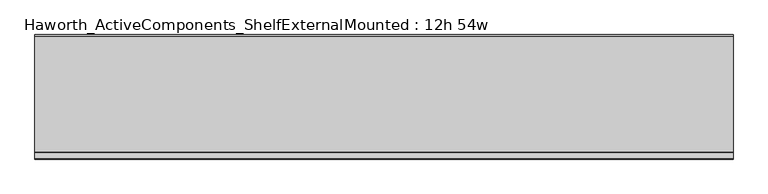
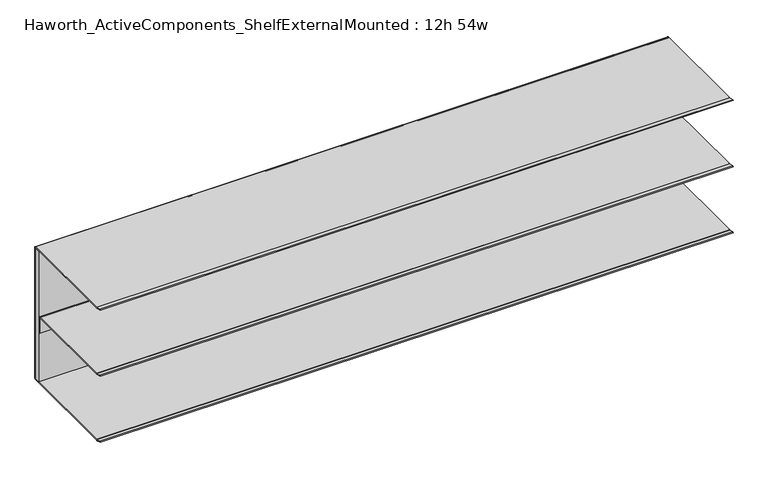
"""IFC4 building model written with IfcOpenShell, lengths in millimetres: furniture geometry, Haworth_ActiveComponents_ShelfExternalMounted : 12h 54w."""

from ifc_helpers import new_model, si_unit, point, frame, frame_2d, origin, place, context, project, spatial, polyline, circle_curve, trimmed, segment, composite_curve, outline, extrude, source, transform, mapped, element, save


def haworth_activecomponents_shelfexternalmounted_12h_54w_456adbdf(model_context):
    return source(origin(), model_context, "Body", "SweptSolid", [
        extrude(outline(polyline([(-2336.746931, -1108.8104248), (-2336.746931, -1096.1601932), (-965.146931, -1096.1601932), (-965.146931, -1108.8104248), (-2336.746931, -1108.8104248)])), frame((0.0, 0.0, 587.0955999), z_axis=(0.0, 0.0, 1.0), x_axis=(1.0, 0.0, 0.0)), (0.0, 0.0, 1.0), 299.0087945),
        extrude(outline(composite_curve([segment(polyline([(-1097.380424, 584.2), (-1325.9274211, 584.2)]), True, "CONTINUOUS"), segment(trimmed(circle_curve(frame_2d((-1325.9274211, 587.375)), 3.175), [point((-1325.9274211, 584.2))], [point((-1326.7491675, 584.3081844))], False, "CARTESIAN"), True, "CONTINUOUS"), segment(polyline([(-1326.7491675, 584.3081844), (-1338.9841932, 587.5865324), (-1338.4911456, 589.426621), (-1326.4983733, 586.2131843)]), True, "CONTINUOUS"), segment(trimmed(circle_curve(frame_2d((-1325.6766268, 589.2799999)), 3.175), [point((-1326.4983733, 586.2131843))], [point((-1325.6766268, 586.1049999))], True, "CARTESIAN"), True, "CONTINUOUS"), segment(polyline([(-1325.6766268, 586.1049999), (-1097.1943019, 586.1049999)]), True, "CONTINUOUS"), segment(trimmed(circle_curve(frame_2d((-1097.1943019, 587.1888762)), 1.0838764), [point((-1097.1943019, 586.1049999))], [point((-1096.1104256, 587.1888762))], True, "CARTESIAN"), True, "CONTINUOUS"), segment(polyline([(-1096.1104256, 587.1888762), (-1096.1104256, 886.0673706)]), True, "CONTINUOUS"), segment(trimmed(circle_curve(frame_2d((-1097.1380502, 886.0673706)), 1.0276247), [point((-1096.1104256, 886.0673706))], [point((-1097.1380502, 887.0949953))], True, "CARTESIAN"), True, "CONTINUOUS"), segment(polyline([(-1097.1380502, 887.0949953), (-1325.8780783, 887.0949953)]), True, "CONTINUOUS"), segment(trimmed(circle_curve(frame_2d((-1325.8780783, 890.2699953)), 3.175), [point((-1325.8780783, 887.0949953))], [point((-1326.6998504, 887.2031866))], False, "CARTESIAN"), True, "CONTINUOUS"), segment(polyline([(-1326.6998504, 887.2031866), (-1338.9344324, 890.4815255), (-1338.4413666, 892.3216203), (-1326.4490248, 889.1081913)]), True, "CONTINUOUS"), segment(trimmed(circle_curve(frame_2d((-1325.6272527, 892.175)), 3.175), [point((-1326.4490248, 889.1081913))], [point((-1325.6272527, 889.0))], True, "CARTESIAN"), True, "CONTINUOUS"), segment(polyline([(-1325.6272527, 889.0), (-1097.380424, 889.0)]), True, "CONTINUOUS"), segment(trimmed(circle_curve(frame_2d((-1097.380424, 885.825)), 3.175), [point((-1097.380424, 889.0))], [point((-1094.205424, 885.825))], False, "CARTESIAN"), True, "CONTINUOUS"), segment(polyline([(-1094.205424, 885.825), (-1094.205424, 587.375)]), True, "CONTINUOUS"), segment(trimmed(circle_curve(frame_2d((-1097.380424, 587.375)), 3.175), [point((-1094.205424, 587.375))], [point((-1097.380424, 584.2))], False, "CARTESIAN"), True, "CONTINUOUS")], self_intersect=False)), frame((-2336.746931, 0.0, 0.0), z_axis=(1.0, 0.0, 0.0), x_axis=(0.0, 1.0, 0.0)), (0.0, 0.0, 1.0), 1371.6),
        extrude(outline(composite_curve([segment(polyline([(-1338.9344324, 739.0213301), (-1338.4413666, 740.8614249), (-1326.4490005, 737.6479893)]), True, "CONTINUOUS"), segment(trimmed(circle_curve(frame_2d((-1325.6272283, 740.714798)), 3.175), [point((-1326.4490005, 737.6479893))], [point((-1325.6272283, 737.539798))], True, "CARTESIAN"), True, "CONTINUOUS"), segment(polyline([(-1325.6272283, 737.539798), (-1113.319713, 737.539798)]), True, "CONTINUOUS"), segment(trimmed(circle_curve(frame_2d((-1113.319713, 734.5545084)), 2.9852896), [point((-1113.319713, 737.539798))], [point((-1110.3344234, 734.5545084))], False, "CARTESIAN"), True, "CONTINUOUS"), segment(polyline([(-1110.3344234, 734.5545084), (-1110.3344234, 699.439798), (-1112.2394238, 699.439798), (-1112.2394238, 734.6253876)]), True, "CONTINUOUS"), segment(trimmed(circle_curve(frame_2d((-1113.248836, 734.6253876)), 1.0094122), [point((-1112.2394238, 734.6253876))], [point((-1113.248836, 735.6347998))], True, "CARTESIAN"), True, "CONTINUOUS"), segment(polyline([(-1113.248836, 735.6347998), (-1325.8780783, 735.6347998)]), True, "CONTINUOUS"), segment(trimmed(circle_curve(frame_2d((-1325.8780783, 738.8097998)), 3.175), [point((-1325.8780783, 735.6347998))], [point((-1326.6998504, 735.7429911))], False, "CARTESIAN"), True, "CONTINUOUS"), segment(polyline([(-1326.6998504, 735.7429911), (-1338.9344324, 739.0213301)]), True, "CONTINUOUS")], self_intersect=False)), frame((-2336.746931, 0.0, 0.0), z_axis=(1.0, 0.0, 0.0), x_axis=(0.0, 1.0, 0.0)), (0.0, 0.0, 1.0), 1371.6),
    ])


if __name__ == "__main__":
    model = new_model("IFC4")
    model_context = context("Model", 3, world=origin())
    ifc_project = project(units=[si_unit("LENGTHUNIT", "METRE", prefix="MILLI")], contexts=[model_context])
    site = spatial("IfcSite", under=ifc_project)
    building = spatial("IfcBuilding", under=site)
    placement = place(None, origin())
    haworth_activecomponents_shelfexternalmounted_12h_54w_shape = haworth_activecomponents_shelfexternalmounted_12h_54w_456adbdf(model_context)
    element("IfcFurniture", 1, ObjectType="Haworth_ActiveComponents_ShelfExternalMounted : 12h 54w", at=placement, inside=building, context=model_context, shape_type="MappedRepresentation", body=[
        mapped(haworth_activecomponents_shelfexternalmounted_12h_54w_shape, transform((0.0, 0.0, 0.0), x_axis=(1.0, 0.0, 0.0), y_axis=(0.0, 1.0, 0.0), z_axis=(0.0, 0.0, 1.0))),
    ])
    save(model, "model.ifc")
